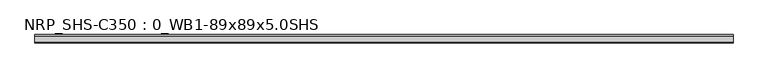
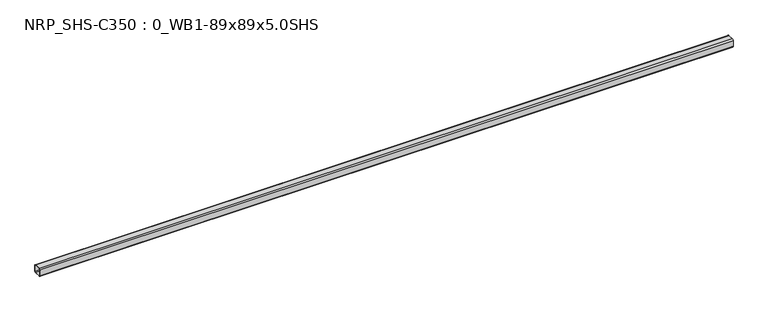
"""IFC4 building model written with IfcOpenShell, lengths in millimetres: member geometry, NRP_SHS-C350 : 0_WB1-89x89x5.0SHS."""

import ifcopenshell
import ifcopenshell.guid

model = None  # the IFC model being written
_history = None  # IfcOwnerHistory: only IFC2X3 demands one
_inside = {}  # id of a spatial element -> (the spatial element, [elements in it])
_under = {}  # id of a project, library or spatial element -> (it, [spatial elements below it])
_declared = {}  # id of a project -> (the project, [libraries it declares])
_typed = {}  # id of a type object -> (the type object, [elements of that type])
_made_of = {}  # id of a material, layer set ... -> (it, [elements and type objects made of it])


def new_model(schema):
    """Start an empty IFC model of exactly this schema.

    Asked for "IFC4X3", IfcOpenShell would pick the latest addendum, in which some entities
    have other attributes; the version numbers below select the first issue.
    IFC2X3 requires an IfcOwnerHistory on every rooted entity: one is made here for all.
    """
    global model, _history
    if schema == "IFC4X3":
        model = ifcopenshell.file(schema_version=(4, 3, 0, 0))
    else:
        model = ifcopenshell.file(schema=schema)
    _inside.clear()
    _under.clear()
    _declared.clear()
    _typed.clear()
    _made_of.clear()
    _history = None
    if model.schema == "IFC2X3":
        org = make("IfcOrganization", Name="unknown")
        user = make(
            "IfcPersonAndOrganization",
            ThePerson=make("IfcPerson", FamilyName="unknown"),
            TheOrganization=org,
        )
        app = make(
            "IfcApplication",
            ApplicationDeveloper=org,
            Version="unknown",
            ApplicationFullName="unknown",
            ApplicationIdentifier="unknown",
        )
        _history = make(
            "IfcOwnerHistory",
            OwningUser=user,
            OwningApplication=app,
            ChangeAction="ADDED",
            CreationDate=0,
        )
    return model


def make(cls, **values):
    """One entity of the class cls with the attributes given. An attribute that is None is left unset."""
    return model.create_entity(
        cls, **{name: value for name, value in values.items() if value is not None}
    )


def rooted(cls, **values):
    """An entity with a GlobalId (a new one), such as an element, a storey or a relation."""
    return make(cls, GlobalId=ifcopenshell.guid.new(), OwnerHistory=_history, **values)


def si_unit(unit_type, name, prefix=None):
    """IfcSIUnit, for example si_unit("LENGTHUNIT", "METRE", prefix="MILLI")."""
    return make("IfcSIUnit", UnitType=unit_type, Prefix=prefix, Name=name)


def assignment(units):
    """IfcUnitAssignment: the units of a project."""
    return None if units is None else make("IfcUnitAssignment", Units=units)


def point(xyz):
    """IfcCartesianPoint."""
    return None if xyz is None else make("IfcCartesianPoint", Coordinates=xyz)


def direction(xyz):
    """IfcDirection."""
    return None if xyz is None else make("IfcDirection", DirectionRatios=xyz)


def frame(location, z_axis=None, x_axis=None):
    """IfcAxis2Placement3D, a coordinate frame: its origin and axes. An axis left out is left unset."""
    return make(
        "IfcAxis2Placement3D",
        Location=point(location),
        Axis=direction(z_axis),
        RefDirection=direction(x_axis),
    )


def frame_2d(location, x_axis=None):
    """IfcAxis2Placement2D, a coordinate frame in the plane: its origin and x axis."""
    return make(
        "IfcAxis2Placement2D", Location=point(location), RefDirection=direction(x_axis)
    )


def origin():
    """The frame at (0, 0, 0) with its axes left unset."""
    return frame((0.0, 0.0, 0.0))


def place(relative_to, where):
    """IfcLocalPlacement: puts the frame where relative to a parent placement (None: the world)."""
    return make(
        "IfcLocalPlacement", PlacementRelTo=relative_to, RelativePlacement=where
    )


def context(
    kind, dimensions, precision=None, world=None, true_north=None, identifier=None
):
    """IfcGeometricRepresentationContext, for example the 3D "Model" context."""
    return make(
        "IfcGeometricRepresentationContext",
        ContextIdentifier=identifier,
        ContextType=kind,
        CoordinateSpaceDimension=dimensions,
        Precision=precision,
        WorldCoordinateSystem=world,
        TrueNorth=true_north,
    )


def project(units=None, contexts=None):
    """IfcProject with its units and contexts."""
    return rooted(
        "IfcProject",
        Name="project",
        RepresentationContexts=contexts,
        UnitsInContext=assignment(units),
    )


def spatial(cls, under=None, at=None, **own):
    """A site, building, storey or space (cls), placed at a placement, below another one or the project."""
    s = rooted(cls, ObjectPlacement=at, **own)
    if under is not None:
        _under.setdefault(under.id(), (under, []))[1].append(s)
    return s


def polyline(points):
    """IfcPolyline through the points."""
    return make("IfcPolyline", Points=[point(p) for p in points])


def circle_curve(where, radius):
    """IfcCircle in the frame where."""
    return make("IfcCircle", Position=where, Radius=radius)


def trimmed(basis, trim1, trim2, sense, master):
    """IfcTrimmedCurve: the piece of a basis curve between two trims."""
    return make(
        "IfcTrimmedCurve",
        BasisCurve=basis,
        Trim1=trim1,
        Trim2=trim2,
        SenseAgreement=sense,
        MasterRepresentation=master,
    )


def segment(curve, same_sense, transition):
    """IfcCompositeCurveSegment."""
    return make(
        "IfcCompositeCurveSegment",
        Transition=transition,
        SameSense=same_sense,
        ParentCurve=curve,
    )


def composite_curve(segments, self_intersect=None):
    """IfcCompositeCurve: segments joined end to end."""
    return make("IfcCompositeCurve", Segments=segments, SelfIntersect=self_intersect)


def outline(outer, holes=None, kind="AREA"):
    """IfcArbitraryClosedProfileDef: a profile drawn as a closed curve; with holes, ...WithVoids."""
    if holes is None:
        return make("IfcArbitraryClosedProfileDef", ProfileType=kind, OuterCurve=outer)
    return make(
        "IfcArbitraryProfileDefWithVoids",
        ProfileType=kind,
        OuterCurve=outer,
        InnerCurves=holes,
    )


def extrude(swept, where, along, depth):
    """IfcExtrudedAreaSolid: the profile swept, set in the frame where, extruded along a direction by depth."""
    return make(
        "IfcExtrudedAreaSolid",
        SweptArea=swept,
        Position=where,
        ExtrudedDirection=direction(along),
        Depth=depth,
    )


def shape(context_of_items, identifier, shape_type, items):
    """IfcShapeRepresentation: the items that make up one representation, for example the "Body"."""
    return make(
        "IfcShapeRepresentation",
        ContextOfItems=context_of_items,
        RepresentationIdentifier=identifier,
        RepresentationType=shape_type,
        Items=items,
    )


def source(mapping_origin, context_of_items, identifier, shape_type, items):
    """IfcRepresentationMap: a shape defined once, which mapped items show again and again."""
    return make(
        "IfcRepresentationMap",
        MappingOrigin=mapping_origin,
        MappedRepresentation=shape(context_of_items, identifier, shape_type, items),
    )


def transform(
    local_origin,
    x_axis=None,
    y_axis=None,
    z_axis=None,
    scale=None,
    scale2=None,
    scale3=None,
    uniform=True,
):
    """IfcCartesianTransformationOperator3D, or its non-uniform kind. x_axis, y_axis, z_axis: its Axis1, 2, 3."""
    if uniform:
        return make(
            "IfcCartesianTransformationOperator3D",
            Axis1=direction(x_axis),
            Axis2=direction(y_axis),
            LocalOrigin=point(local_origin),
            Scale=scale,
            Axis3=direction(z_axis),
        )
    return make(
        "IfcCartesianTransformationOperator3DnonUniform",
        Axis1=direction(x_axis),
        Axis2=direction(y_axis),
        LocalOrigin=point(local_origin),
        Scale=scale,
        Axis3=direction(z_axis),
        Scale2=scale2,
        Scale3=scale3,
    )


def mapped(mapping_source, mapping_target):
    """IfcMappedItem: shows the shape of a source again, moved by a transform."""
    return make(
        "IfcMappedItem", MappingSource=mapping_source, MappingTarget=mapping_target
    )


def made_of(thing, what):
    """Note that an element or type object is made of a material, layer set ...; save() writes the relation."""
    if what is not None:
        _made_of.setdefault(what.id(), (what, []))[1].append(thing)
    return thing


def element(
    cls,
    number,
    at=None,
    inside=None,
    cuts=None,
    type_object=None,
    material=None,
    context=None,
    identifier="Body",
    shape_type=None,
    held_by="IfcProductDefinitionShape",
    body=None,
    shapes=None,
    **own,
):
    """One element of the class cls, such as IfcWall. Its Tag is "e" and its number.

    at: its placement. inside: the storey or other place that contains it. cuts: it is an
    opening in that element (IfcRelVoidsElement). A single representation is given by context,
    identifier, shape_type and body (its items); several are given by shapes. held_by: the class
    of the entity that holds the representations. save() writes the other relations.
    """
    e = rooted(cls, Tag="e%d" % number, ObjectPlacement=at, **own)
    if body is not None:
        shapes = [shape(context, identifier, shape_type, body)]
    if shapes is not None:
        e.Representation = make(held_by, Representations=shapes)
    if inside is not None:
        _inside.setdefault(inside.id(), (inside, []))[1].append(e)
    if cuts is not None:
        rooted(
            "IfcRelVoidsElement", RelatingBuildingElement=cuts, RelatedOpeningElement=e
        )
    if type_object is not None:
        _typed.setdefault(type_object.id(), (type_object, []))[1].append(e)
    return made_of(e, material)


def aggregate(whole, parts):
    """IfcRelAggregates: a whole, such as a stair, and the parts it consists of."""
    return rooted("IfcRelAggregates", RelatingObject=whole, RelatedObjects=parts)


def save(model, path):
    """Write the relations noted so far, then the file.

    IfcRelAggregates (storeys below a building ...), IfcRelContainedInSpatialStructure (elements
    in a storey), IfcRelDefinesByType, IfcRelAssociatesMaterial and IfcRelDeclares: one each for
    every whole, place, type object, material and project.
    """
    for whole, parts in _under.values():
        aggregate(whole, parts)
    for where, things in _inside.values():
        rooted(
            "IfcRelContainedInSpatialStructure",
            RelatedElements=things,
            RelatingStructure=where,
        )
    for kind, things in _typed.values():
        rooted("IfcRelDefinesByType", RelatedObjects=things, RelatingType=kind)
    for what, things in _made_of.values():
        rooted("IfcRelAssociatesMaterial", RelatedObjects=things, RelatingMaterial=what)
    for by, libraries in _declared.values():
        rooted("IfcRelDeclares", RelatingContext=by, RelatedDefinitions=libraries)
    model.write(path)


def nrp_shs_c350_0_wb1_89x89x5_0shs_a757c81c(model_context):
    return source(origin(), model_context, "Body", "SweptSolid", [
        extrude(outline(composite_curve([segment(polyline([(44.5, 32.0), (44.5, -32.0)]), True, "CONTINUOUS"), segment(trimmed(circle_curve(frame_2d((32.0, -32.0)), 12.5), [point((44.5, -32.0))], [point((32.0, -44.5))], False, "CARTESIAN"), True, "CONTINUOUS"), segment(polyline([(32.0, -44.5), (-32.0, -44.5)]), True, "CONTINUOUS"), segment(trimmed(circle_curve(frame_2d((-32.0, -32.0)), 12.5), [point((-32.0, -44.5))], [point((-44.5, -32.0))], False, "CARTESIAN"), True, "CONTINUOUS"), segment(polyline([(-44.5, -32.0), (-44.5, 32.0)]), True, "CONTINUOUS"), segment(trimmed(circle_curve(frame_2d((-32.0, 32.0)), 12.5), [point((-44.5, 32.0))], [point((-32.0, 44.5))], False, "CARTESIAN"), True, "CONTINUOUS"), segment(polyline([(-32.0, 44.5), (32.0, 44.5)]), True, "CONTINUOUS"), segment(trimmed(circle_curve(frame_2d((32.0, 32.0)), 12.5), [point((32.0, 44.5))], [point((44.5, 32.0))], False, "CARTESIAN"), True, "CONTINUOUS")], self_intersect=False), holes=[composite_curve([segment(trimmed(circle_curve(frame_2d((-32.0, 32.0)), 7.5), [point((-32.0, 39.5))], [point((-39.5, 32.0))], True, "CARTESIAN"), True, "CONTINUOUS"), segment(polyline([(-39.5, 32.0), (-39.5, -32.0)]), True, "CONTINUOUS"), segment(trimmed(circle_curve(frame_2d((-32.0, -32.0)), 7.5), [point((-39.5, -32.0))], [point((-32.0, -39.5))], True, "CARTESIAN"), True, "CONTINUOUS"), segment(polyline([(-32.0, -39.5), (32.0, -39.5)]), True, "CONTINUOUS"), segment(trimmed(circle_curve(frame_2d((32.0, -32.0)), 7.5), [point((32.0, -39.5))], [point((39.5, -32.0))], True, "CARTESIAN"), True, "CONTINUOUS"), segment(polyline([(39.5, -32.0), (39.5, 32.0)]), True, "CONTINUOUS"), segment(trimmed(circle_curve(frame_2d((32.0, 32.0)), 7.5), [point((39.5, 32.0))], [point((32.0, 39.5))], True, "CARTESIAN"), True, "CONTINUOUS"), segment(polyline([(32.0, 39.5), (-32.0, 39.5)]), True, "CONTINUOUS")], self_intersect=False)]), frame((-3669.4520017, 0.0, 0.0), z_axis=(1.0, 0.0, 0.0), x_axis=(0.0, 1.0, 0.0)), (0.0, 0.0, 1.0), 7451.9480136),
    ])


if __name__ == "__main__":
    model = new_model("IFC4")
    model_context = context("Model", 3, world=origin())
    ifc_project = project(units=[si_unit("LENGTHUNIT", "METRE", prefix="MILLI")], contexts=[model_context])
    site = spatial("IfcSite", under=ifc_project)
    building = spatial("IfcBuilding", under=site)
    placement = place(None, origin())
    nrp_shs_c350_0_wb1_89x89x5_0shs_shape = nrp_shs_c350_0_wb1_89x89x5_0shs_a757c81c(model_context)
    element("IfcMember", 1, ObjectType="NRP_SHS-C350 : 0_WB1-89x89x5.0SHS", at=placement, inside=building, context=model_context, shape_type="MappedRepresentation", body=[
        mapped(nrp_shs_c350_0_wb1_89x89x5_0shs_shape, transform((0.0, 0.0, 0.0), x_axis=(1.0, 0.0, 0.0), y_axis=(0.0, 1.0, 0.0), z_axis=(0.0, 0.0, 1.0))),
    ])
    save(model, "model.ifc")
